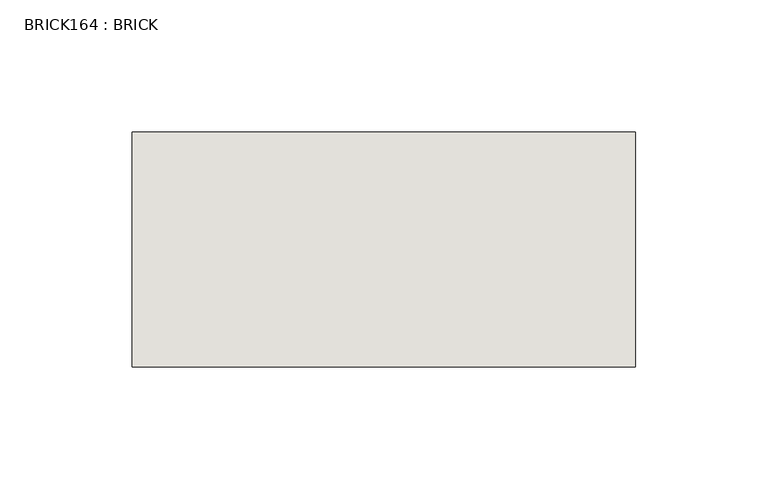
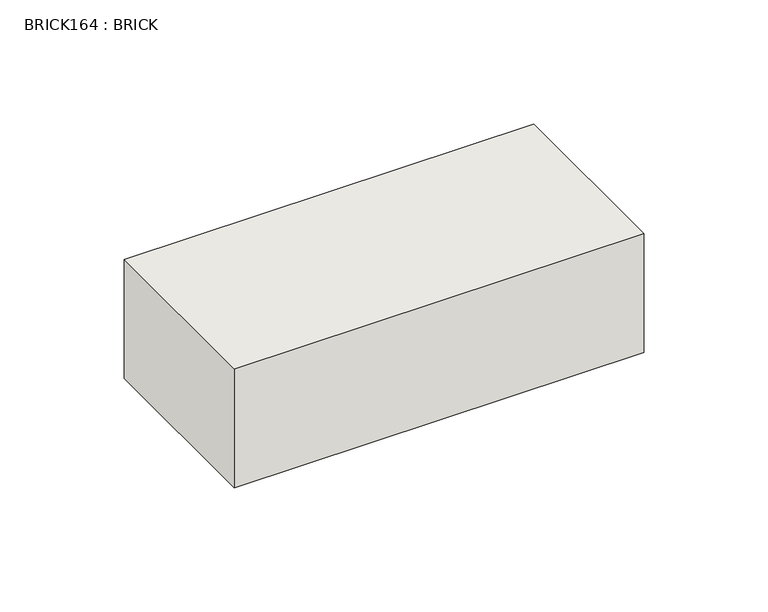
"""IFC4 building model written with IfcOpenShell, lengths in millimetres: wall geometry, BRICK164 : BRICK."""

from ifc_helpers import new_model, si_unit, frame, origin, place, context, project, spatial, polyline, outline, extrude, source, transform, mapped, element, save


def brick164_brick_3e043397(model_context):
    return source(origin(), model_context, "Body", "SweptSolid", [
        extrude(outline(polyline([(-159.1316239, 3062.3923312), (31.3683761, 3062.3923312), (31.3683761, 2973.4923312), (-159.1316239, 2973.4923312), (-159.1316239, 3062.3923312)])), frame((0.0, 0.0, 74.3148438), z_axis=(0.0, 0.0, 1.0), x_axis=(1.0, 0.0, 0.0)), (0.0, 0.0, 1.0), 58.4398437),
    ])


if __name__ == "__main__":
    model = new_model("IFC4")
    model_context = context("Model", 3, world=origin())
    ifc_project = project(units=[si_unit("LENGTHUNIT", "METRE", prefix="MILLI")], contexts=[model_context])
    site = spatial("IfcSite", under=ifc_project)
    building = spatial("IfcBuilding", under=site)
    placement = place(None, origin())
    brick164_brick_shape = brick164_brick_3e043397(model_context)
    element("IfcWall", 1, ObjectType="BRICK164 : BRICK", at=placement, inside=building, context=model_context, shape_type="MappedRepresentation", body=[
        mapped(brick164_brick_shape, transform((0.0, 0.0, 0.0), x_axis=(1.0, 0.0, 0.0), y_axis=(0.0, 1.0, 0.0), z_axis=(0.0, 0.0, 1.0))),
    ])
    save(model, "model.ifc")
